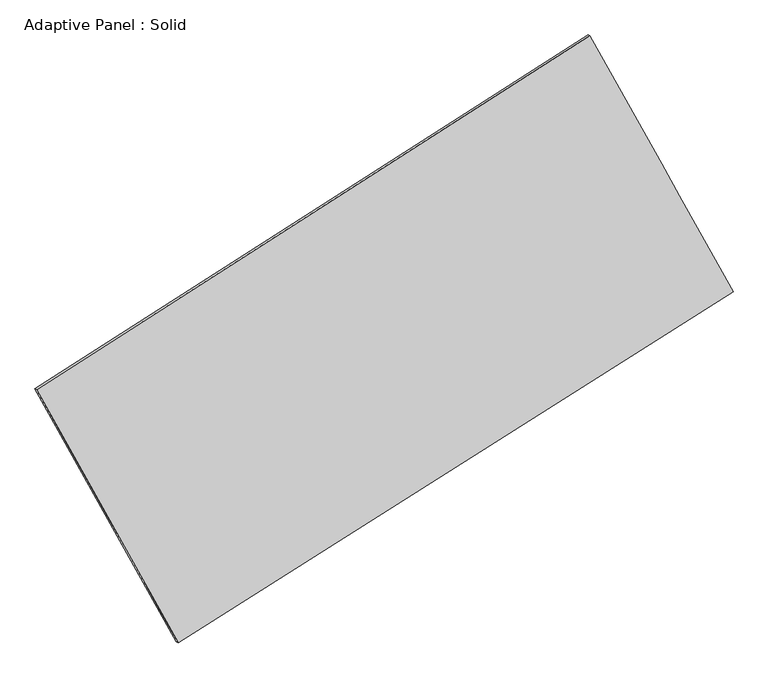
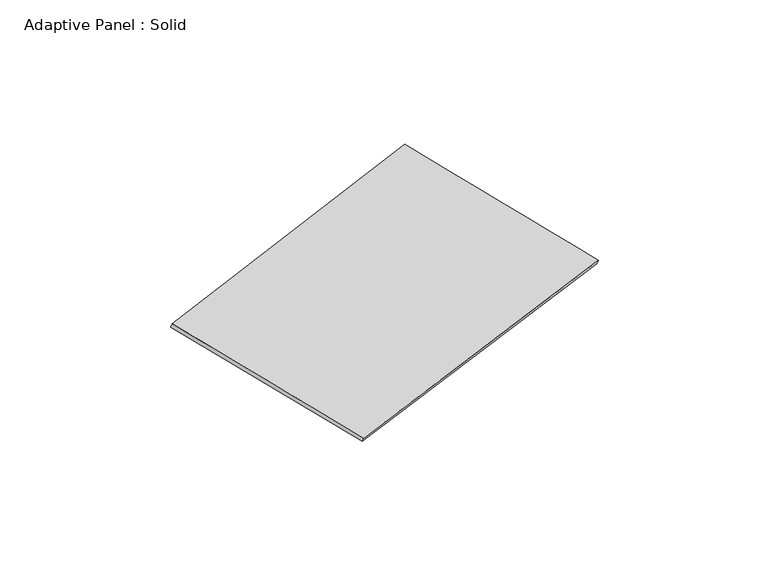
"""IFC4 building model written with IfcOpenShell, lengths in millimetres: plate geometry, Adaptive Panel : Solid."""

from ifc_helpers import new_model, si_unit, frame, origin, place, context, project, spatial, source, transform, mapped, element, save
from ifc_brep_helpers import plane_surface, spline_surface, advanced_brep


def adaptive_panel_solid_21f01f19(model_context):
    return source(origin(), model_context, "Body", "AdvancedBrep", [
        advanced_brep(
        [(1157.8745734, 2578.3210465, 673.7286466), (-3712.4013574, -537.8393245, 1758.4558548), (-3697.7350015, -544.2194179, 1805.8287629), (1172.5409293, 2571.940953, 721.1015547), (-2466.4651673, -2764.5864323, 1076.2505384), (-2451.7988114, -2770.9665258, 1123.6234464), (2417.7013731, 323.8561375, -23.3125197), (2432.3677289, 317.476044, 24.0603883)],
        [
            (0, 1),
            (1, 2),
            (2, 3),
            (3, 0),
            (1, 4),
            (4, 5),
            (5, 2),
            (4, 6),
            (6, 7),
            (7, 5),
            (6, 0),
            (3, 7),
        ],
        [
            plane_surface(frame((-1277.263392, 1020.240861, 1216.0922507), z_axis=(-0.478351396190043, 0.838480031061045, 0.2610194997982054), x_axis=(-0.8278918789999608, -0.5297120535736219, 0.18439136906246545))),
            plane_surface(frame((-3089.4332623, -1651.2128784, 1417.3531966), z_axis=(-0.8317304302751354, -0.5227019440021943, 0.18710202855839234), x_axis=(0.4717234511353867, -0.8430679186251852, -0.2582895085633924))),
            plane_surface(frame((-24.3818971, -1220.3651474, 526.4690094), z_axis=(0.47359333968056466, -0.8415065336994201, -0.25995403892110625), x_axis=(0.8303020358628801, 0.5250312683097822, -0.18692430697739146))),
            plane_surface(frame((1787.7879732, 1451.088592, 325.2080635), z_axis=(0.8317584618492512, 0.5226518132331787, -0.18711745847525396), x_axis=(-0.4709627308443221, 0.842789620320088, 0.2605758278052296))),
            spline_surface(1, 1, [[(-3697.7350015, -544.2194179, 1805.8287629), (1172.5409293, 2571.940953, 721.1015547)], [(-2451.7988114, -2770.9665258, 1123.6234464), (2432.3677289, 317.476044, 24.0603883)]], [2, 2], [2, 2], [0.0, 1.0], [0.0, 1.0]),
            spline_surface(1, 1, [[(2417.7013731, 323.8561375, -23.3125197), (1157.8745734, 2578.3210465, 673.7286466)], [(-2466.4651673, -2764.5864323, 1076.2505384), (-3712.4013574, -537.8393245, 1758.4558548)]], [2, 2], [2, 2], [0.0, 1.0], [0.0, 1.0]),
        ],
        [
            (0, [[1, 2, 3, 4]]),
            (1, [[5, 6, 7, -2]]),
            (2, [[8, 9, 10, -6]]),
            (3, [[11, -4, 12, -9]]),
            (4, [[-3, -7, -10, -12]]),
            (5, [[-11, -8, -5, -1]]),
        ],
    ),
    ])


if __name__ == "__main__":
    model = new_model("IFC4")
    model_context = context("Model", 3, world=origin())
    ifc_project = project(units=[si_unit("LENGTHUNIT", "METRE", prefix="MILLI")], contexts=[model_context])
    site = spatial("IfcSite", under=ifc_project)
    building = spatial("IfcBuilding", under=site)
    placement = place(None, origin())
    adaptive_panel_solid_shape = adaptive_panel_solid_21f01f19(model_context)
    element("IfcPlate", 1, ObjectType="Adaptive Panel : Solid", at=placement, inside=building, context=model_context, shape_type="MappedRepresentation", body=[
        mapped(adaptive_panel_solid_shape, transform((0.0, 0.0, 0.0), x_axis=(1.0, 0.0, 0.0), y_axis=(0.0, 1.0, 0.0), z_axis=(0.0, 0.0, 1.0))),
    ])
    save(model, "model.ifc")
